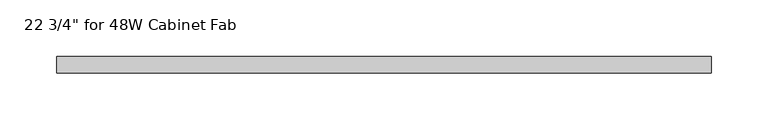
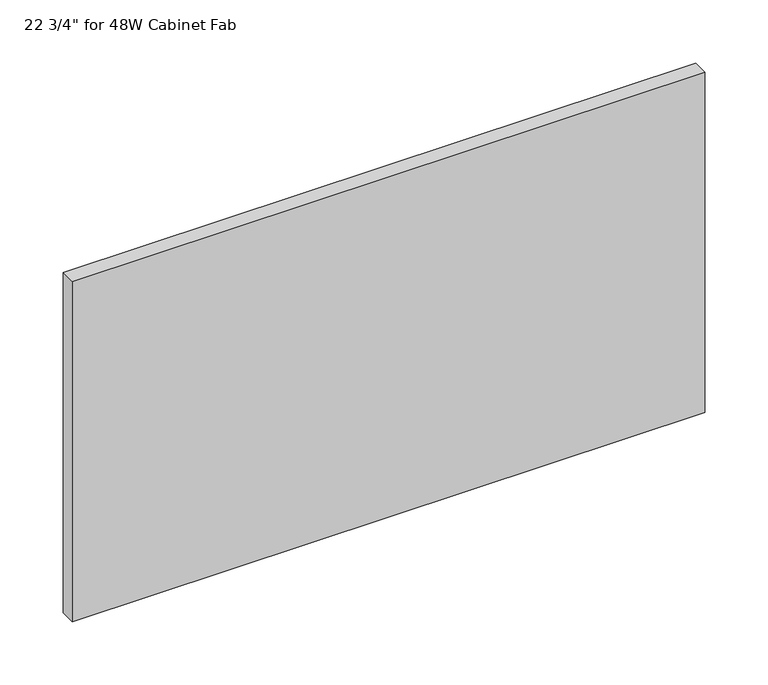
"""IFC4 building model written with IfcOpenShell, lengths in millimetres: furniture geometry."""

from ifc_helpers import new_model, si_unit, frame, origin, place, context, project, spatial, polyline, outline, extrude, source, transform, mapped, element, save


def furniture_6992746e(model_context):
    return source(origin(), model_context, "Body", "SweptSolid", [
        extrude(outline(polyline([(288.925, -33.8601849), (288.925, -48.5445599), (-288.925, -48.5445599), (-288.925, -33.8601849), (288.925, -33.8601849)])), frame((0.0, 0.0, 1181.1), z_axis=(0.0, 0.0, 1.0), x_axis=(1.0, 0.0, 0.0)), (0.0, 0.0, 1.0), 328.9101562),
    ])


if __name__ == "__main__":
    model = new_model("IFC4")
    model_context = context("Model", 3, world=origin())
    ifc_project = project(units=[si_unit("LENGTHUNIT", "METRE", prefix="MILLI")], contexts=[model_context])
    site = spatial("IfcSite", under=ifc_project)
    building = spatial("IfcBuilding", under=site)
    placement = place(None, origin())
    furniture_shape = furniture_6992746e(model_context)
    element("IfcFurniture", 1, ObjectType="22 3/4\" for 48W Cabinet Fab", at=placement, inside=building, context=model_context, shape_type="MappedRepresentation", body=[
        mapped(furniture_shape, transform((0.0, 0.0, 0.0), x_axis=(1.0, 0.0, 0.0), y_axis=(0.0, 1.0, 0.0), z_axis=(0.0, 0.0, 1.0))),
    ])
    save(model, "model.ifc")
